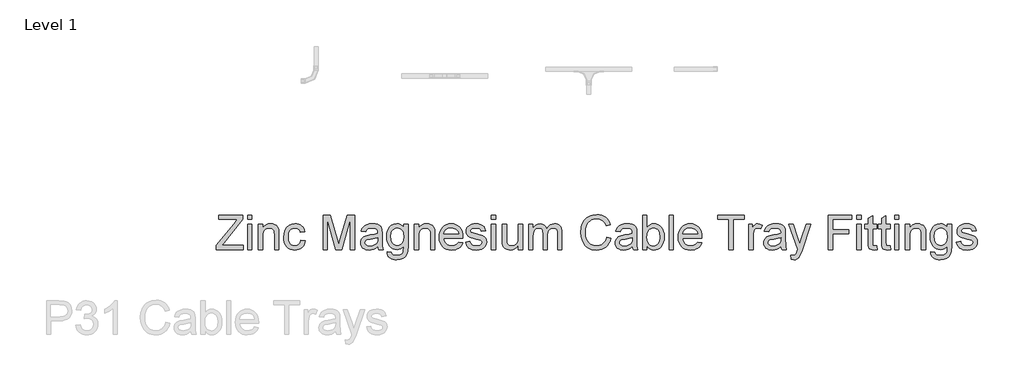
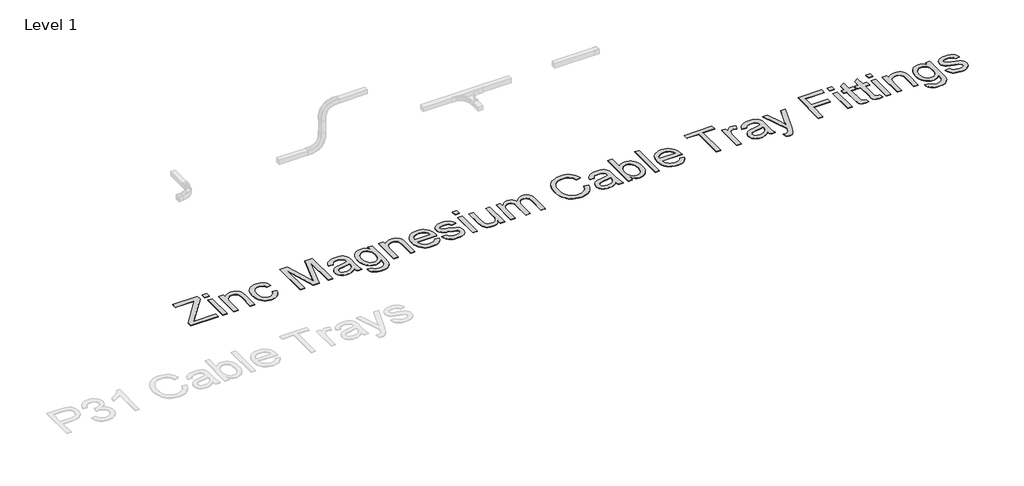
# One storey, part 15 of 15: 1 proxy.
"""IFC4 building model written with IfcOpenShell, lengths in millimetres."""

from ifc_helpers import new_model, si_unit, origin, origin_with_axes, place, context, project, spatial, polyline, outline, extrude, element, save

model = new_model("IFC4")

# Units and contexts
model_context = context("Model", 3, world=origin())
ifc_project = project(units=[si_unit("LENGTHUNIT", "METRE", prefix="MILLI")], contexts=[model_context])

# Site, building, storey
site = spatial("IfcSite", under=ifc_project)
building = spatial("IfcBuilding", under=site)
storey = spatial("IfcBuildingStorey", under=building, Name="Level 1", Elevation=0.0)

# Proxy
placement = place(None, origin())
element("IfcBuildingElementProxy", 1, Name="400mm", ObjectType="400mm", at=placement, inside=storey, context=model_context, shape_type="SweptSolid", body=[
    extrude(outline(polyline([(-1057.4820751, -39637.8239608), (-1057.4820751, -39585.7318703), (-851.9586671, -39334.1005856), (-812.9141247, -39286.2268753), (-1032.3679975, -39286.2268753), (-1032.3679975, -39235.9987202), (-749.8346252, -39235.9987202), (-749.8346252, -39286.2268753), (-974.7822026, -39561.5988114), (-995.9722055, -39587.5958057), (-743.5561059, -39587.5958057), (-743.5561059, -39637.8239608), (-1057.4820751, -39637.8239608)])), origin_with_axes(), (0.0, 0.0, 1.0), 5.0),
    extrude(outline(polyline([(-693.3279508, -39637.8239608), (-693.3279508, -39342.7335497), (-643.0997957, -39342.7335497), (-643.0997957, -39637.8239608), (-693.3279508, -39637.8239608)])), origin_with_axes(), (0.0, 0.0, 1.0), 5.0),
    extrude(outline(polyline([(-693.3279508, -39286.2268753), (-693.3279508, -39235.9987202), (-643.0997957, -39235.9987202), (-643.0997957, -39286.2268753), (-693.3279508, -39286.2268753)])), origin_with_axes(), (0.0, 0.0, 1.0), 5.0),
    extrude(outline(polyline([(-567.7575631, -39637.8239608), (-567.7575631, -39342.7335497), (-517.529408, -39342.7335497), (-517.529408, -39383.9363332), (-500.0795387, -39363.1632632), (-479.1225277, -39348.3253561), (-454.6583751, -39339.4226118), (-426.6870807, -39336.4550304), (-401.9286224, -39338.8462633), (-379.2548288, -39346.0199622), (-360.3456942, -39357.0809476), (-346.8812132, -39371.1340398), (-337.745477, -39388.1424507), (-331.8225769, -39408.0693921), (-329.1738265, -39456.6298154), (-329.1738265, -39637.8239608), (-379.4019816, -39637.8239608), (-379.4019816, -39463.3988442), (-380.8489841, -39437.4263753), (-385.1899916, -39418.9586991), (-393.1975564, -39405.72721), (-405.6442306, -39395.4633024), (-421.5980464, -39388.8782147), (-440.1270362, -39386.6831854), (-469.5453331, -39391.6128042), (-494.6226225, -39406.4016604), (-504.6443411, -39418.4743212), (-511.8027116, -39434.9738287), (-516.0977339, -39455.9001828), (-517.529408, -39481.2533837), (-517.529408, -39637.8239608), (-567.7575631, -39637.8239608)])), origin_with_axes(), (0.0, 0.0, 1.0), 5.0),
    extrude(outline(polyline([(-71.7545317, -39531.0891313), (-21.5263767, -39537.3676507), (-26.9894243, -39561.0684482), (-35.5304179, -39582.0407876), (-47.1493576, -39600.2846689), (-61.8462433, -39615.800092), (-79.001807, -39628.1823868), (-97.9967807, -39637.0268831), (-118.8311644, -39642.3335809), (-141.504958, -39644.1024802), (-169.6755218, -39641.6346051), (-194.9336865, -39634.23098), (-217.279452, -39621.8916047), (-236.7128184, -39604.6164794), (-252.4428394, -39582.7305663), (-263.6785686, -39556.5588281), (-270.4200062, -39526.1012646), (-272.667152, -39491.3578758), (-268.8289166, -39446.6602134), (-257.3142101, -39407.9222393), (-237.9390917, -39376.640007), (-210.5196203, -39354.3095699), (-177.7168091, -39340.9186652), (-142.1916711, -39336.4550304), (-119.9072192, -39337.987872), (-99.7503516, -39342.5863969), (-81.7210681, -39350.2506052), (-65.8193689, -39360.9804967), (-52.315034, -39374.5308169), (-41.4778435, -39390.656311), (-33.3077976, -39409.3569791), (-27.804896, -39430.6328211), (-78.0330511, -39436.9113405), (-87.1442619, -39414.9978363), (-101.3322442, -39399.2892751), (-119.812183, -39389.8347079), (-141.7992636, -39386.6831854), (-158.8659225, -39388.2344212), (-174.2587183, -39392.8881284), (-187.9776511, -39400.6443071), (-200.0227207, -39411.5029574), (-209.8298416, -39425.7154651), (-216.8349279, -39443.5332164), (-221.0379797, -39464.9562113), (-222.438997, -39489.9844497), (-216.9575552, -39537.0610823), (-210.1057531, -39554.9983953), (-200.5132301, -39569.201706), (-188.7072837, -39579.9959768), (-175.2152115, -39587.7061703), (-160.0370135, -39592.3322864), (-143.1726897, -39593.8743251), (-117.1634327, -39590.0238269), (-95.8385397, -39578.4723323), (-80.3261822, -39558.9255356), (-71.7545317, -39531.0891313)])), origin_with_axes(), (0.0, 0.0, 1.0), 5.0),
    extrude(outline(polyline([(185.664763, -39637.8239608), (185.664763, -39235.9987202), (272.0925064, -39235.9987202), (354.3018696, -39519.2188056), (370.8810849, -39578.3742304), (388.8337262, -39514.3137123), (469.6696633, -39235.9987202), (556.0974067, -39235.9987202), (556.0974067, -39637.8239608), (505.8692516, -39637.8239608), (505.8692516, -39286.2268753), (404.9224321, -39637.8239608), (336.8397376, -39637.8239608), (235.8929181, -39286.2268753), (235.8929181, -39637.8239608), (185.664763, -39637.8239608)])), origin_with_axes(), (0.0, 0.0, 1.0), 5.0),
    extrude(outline(polyline([(826.0737402, -39600.1528445), (802.0755714, -39620.7297108), (777.3661641, -39634.1941918), (751.3814325, -39641.6254081), (723.5572909, -39644.1024802), (701.1931313, -39642.6125581), (681.5819553, -39638.1427919), (664.7237628, -39630.6931815), (650.618554, -39620.2637269), (639.4809266, -39607.5166158), (631.5254784, -39593.1140357), (626.7522096, -39577.0559866), (625.1611199, -39559.3424685), (627.5646156, -39538.5203476), (634.7751027, -39519.611213), (645.8974017, -39503.4244052), (660.0363331, -39490.7692646), (676.6523365, -39481.2043327), (695.2058518, -39474.2881512), (738.6649782, -39466.7343076), (790.0213047, -39458.7880565), (825.7794346, -39449.4683793), (826.0737402, -39438.2847666), (822.6156495, -39415.8684904), (812.2413772, -39401.2022615), (789.040286, -39390.3129545), (756.7157214, -39386.6831854), (726.7946525, -39389.0989439), (705.8989551, -39396.3462192), (691.6496592, -39409.7493865), (681.6677944, -39430.6328211), (631.4396393, -39424.3543017), (640.1584426, -39396.8857794), (653.1692025, -39375.303369), (671.6859296, -39358.7977302), (696.9226345, -39346.5595225), (727.7879338, -39338.9811534), (763.1904445, -39336.4550304), (797.1459527, -39338.6868478), (824.062652, -39345.3823001), (844.3574754, -39355.450004), (858.4473558, -39367.7985763), (867.7915585, -39383.0656791), (873.8493487, -39401.8889746), (876.3018953, -39445.8386103), (876.3018953, -39508.3294985), (878.8525438, -39595.5911078), (888.8589341, -39637.8239608), (838.630779, -39637.8239608), (830.586426, -39620.3618288), (826.0737402, -39600.1528445)]), holes=[polyline([(826.0737402, -39499.6965344), (792.3266985, -39508.0597184), (745.0415994, -39515.0985272), (701.8277277, -39523.240982), (690.5828014, -39528.8082629), (682.2564056, -39536.4847339), (677.1060576, -39545.6817837), (675.389275, -39555.8108013), (679.1294086, -39570.7468104), (690.3498095, -39582.9850181), (708.8052229, -39591.1519984), (734.2503942, -39593.8743251), (761.2284072, -39590.8699555), (785.0671605, -39581.8568466), (804.393228, -39568.5763066), (817.8331835, -39552.7696435), (823.7928719, -39536.4847339), (825.7794346, -39513.9213048), (826.0737402, -39499.6965344)])]), origin_with_axes(), (0.0, 0.0, 1.0), 5.0),
    extrude(outline(polyline([(932.8085698, -39662.9380383), (983.0367248, -39669.2165577), (988.5794802, -39684.9128562), (999.3216345, -39695.7040614), (1020.438061, -39704.0917709), (1048.0782616, -39706.887674), (1077.5578721, -39703.7238889), (1099.483639, -39694.2325334), (1114.6894282, -39679.0267443), (1124.0091054, -39658.7196581), (1127.4426707, -39600.1528445), (1110.7285654, -39616.6339579), (1092.0769482, -39628.4061817), (1071.4878192, -39635.469516), (1048.9611784, -39637.8239608), (1021.4221453, -39635.0832399), (997.1756562, -39626.8610773), (976.2217109, -39613.157473), (958.5603094, -39593.972427), (944.5470711, -39570.9552768), (934.5376151, -39545.7553601), (928.5319416, -39518.372677), (926.5300504, -39488.8072273), (930.1230312, -39448.2543687), (940.9019737, -39410.9633971), (958.486733, -39379.3623337), (982.4971646, -39355.8791997), (1012.1116652, -39341.3110727), (1046.5086317, -39336.4550304), (1069.9978971, -39339.2018826), (1091.3166587, -39347.4424393), (1110.4649166, -39361.1767004), (1127.4426707, -39380.404666), (1127.4426707, -39342.7335497), (1177.6708257, -39342.7335497), (1177.6708257, -39597.5040941), (1174.2372605, -39656.3284252), (1163.9365646, -39695.0663993), (1146.1923897, -39720.7568253), (1120.4283873, -39740.438512), (1087.2086431, -39752.9464998), (1047.0972429, -39757.1158291), (1022.4890031, -39755.6473668), (1000.3639668, -39751.2419799), (980.7221339, -39743.8996684), (963.5635046, -39733.6204324), (949.7035504, -39720.3920089), (939.9577432, -39704.2021355), (934.326083, -39685.0508119), (932.8085698, -39662.9380383)]), holes=[polyline([(976.7582054, -39485.373662), (982.1170198, -39531.4447505), (988.8155378, -39549.0816265), (998.193463, -39563.1193903), (1009.5947392, -39573.8278221), (1022.3633101, -39581.4767019), (1036.4991758, -39586.0660298), (1052.0023362, -39587.5958057), (1067.3522124, -39586.0752268), (1081.4206331, -39581.5134901), (1094.2075981, -39573.9105955), (1105.7131075, -39563.2665431), (1115.2197914, -39549.3667351), (1122.0102799, -39531.9965735), (1127.4426707, -39486.84519), (1121.8508643, -39443.3002245), (1114.8611064, -39426.0986755), (1105.0754454, -39411.9444158), (1093.3216156, -39400.8926275), (1080.4273517, -39392.998493), (1066.3926536, -39388.2620123), (1051.2175213, -39386.6831854), (1036.2968407, -39388.2374869), (1022.5349884, -39392.9003912), (998.4877686, -39411.5520083), (988.9810847, -39425.4916702), (982.1905962, -39442.4418332), (976.7582054, -39485.373662)])]), origin_with_axes(), (0.0, 0.0, 1.0), 5.0),
    extrude(outline(polyline([(1253.0130584, -39637.8239608), (1253.0130584, -39342.7335497), (1303.2412134, -39342.7335497), (1303.2412134, -39383.9363332), (1320.6910827, -39363.1632632), (1341.6480937, -39348.3253561), (1366.1122464, -39339.4226118), (1394.0835408, -39336.4550304), (1418.8419991, -39338.8462633), (1441.5157927, -39346.0199622), (1460.4249272, -39357.0809476), (1473.8894083, -39371.1340398), (1483.0251445, -39388.1424507), (1488.9480446, -39408.0693921), (1491.596795, -39456.6298154), (1491.596795, -39637.8239608), (1441.3686399, -39637.8239608), (1441.3686399, -39463.3988442), (1439.9216374, -39437.4263753), (1435.5806298, -39418.9586991), (1427.5730651, -39405.72721), (1415.1263909, -39395.4633024), (1399.172575, -39388.8782147), (1380.6435852, -39386.6831854), (1351.2252883, -39391.6128042), (1326.147999, -39406.4016604), (1316.1262803, -39418.4743212), (1308.9679098, -39434.9738287), (1304.6728875, -39455.9001828), (1303.2412134, -39481.2533837), (1303.2412134, -39637.8239608), (1253.0130584, -39637.8239608)])), origin_with_axes(), (0.0, 0.0, 1.0), 5.0),
    extrude(outline(polyline([(1767.2630367, -39549.9246894), (1816.5101731, -39556.2032088), (1808.9593952, -39575.9278151), (1798.7659982, -39593.3102394), (1785.9299823, -39608.3504816), (1770.4513473, -39621.0485418), (1752.4895089, -39631.1346399), (1732.2038825, -39638.3389956), (1684.661266, -39644.1024802), (1653.4955297, -39641.616211), (1625.7265704, -39634.1574036), (1601.3543882, -39621.7260578), (1580.3789831, -39604.3221738), (1563.5115937, -39582.4301294), (1551.4634583, -39556.5343026), (1544.2345771, -39526.6346934), (1541.82495, -39492.7313019), (1544.2591026, -39457.6782791), (1551.5615602, -39426.7823229), (1563.7323229, -39400.0434332), (1580.7713906, -39377.4616101), (1601.6916134, -39359.5212315), (1625.5058412, -39346.7066753), (1652.2140741, -39339.0179416), (1681.8163119, -39336.4550304), (1710.4651223, -39339.0118102), (1736.3732118, -39346.6821498), (1759.5405805, -39359.4660492), (1779.9672283, -39377.3635082), (1796.6414797, -39399.8962804), (1808.5516593, -39426.5861192), (1815.697767, -39457.4330245), (1818.079803, -39492.4369963), (1817.7854974, -39505.9750537), (1592.0531051, -39505.9750537), (1594.9624386, -39526.0184911), (1600.7473829, -39543.5725936), (1609.4079382, -39558.6373613), (1620.9441045, -39571.2127942), (1634.7182195, -39581.127214), (1650.0926212, -39588.2089424), (1685.6422847, -39593.8743251), (1712.375043, -39591.2501002), (1734.8894211, -39583.3774255), (1753.185419, -39569.7657917), (1767.2630367, -39549.9246894)]), holes=[polyline([(1592.0531051, -39455.7468987), (1767.8516479, -39455.7468987), (1761.0580937, -39429.2103441), (1747.7407655, -39410.2276331), (1734.0432925, -39399.9269373), (1718.4573587, -39392.5692974), (1700.9829639, -39388.1547134), (1681.6201082, -39386.6831854), (1647.7627019, -39391.3798122), (1619.7668821, -39405.4696927), (1600.3059245, -39427.4322478), (1592.0531051, -39455.7468987)])]), origin_with_axes(), (0.0, 0.0, 1.0), 5.0),
    extrude(outline(polyline([(1849.4723999, -39549.9246894), (1899.7005549, -39543.64617), (1907.6222806, -39565.1304786), (1922.950697, -39580.9248789), (1945.7839062, -39590.6369636), (1976.2200099, -39593.8743251), (2006.2882317, -39590.9067437), (2027.4291837, -39582.0039994), (2039.9371715, -39569.1036041), (2044.1065008, -39554.1430696), (2039.912646, -39541.3407762), (2027.3310818, -39531.5796406), (1975.6313988, -39517.2567683), (1899.9948605, -39492.682251), (1880.8527341, -39480.3336787), (1866.9835828, -39463.9874554), (1858.5590852, -39444.6859133), (1855.7509193, -39423.4713849), (1858.0072622, -39404.0104274), (1864.7762909, -39386.0455233), (1875.4448687, -39370.2879112), (1889.3998591, -39357.4488295), (1921.3320163, -39342.5863969), (1942.2154509, -39337.987872), (1964.545888, -39336.4550304), (1997.2383346, -39338.9198397), (2025.6633501, -39346.3142678), (2048.5210847, -39357.9148134), (2064.5116888, -39372.9979752), (2075.1066902, -39392.679662), (2081.7776171, -39418.0757824), (2031.549462, -39424.3543017), (2025.209629, -39408.5476387), (2012.6648529, -39396.6405248), (1993.7925066, -39389.1725203), (1968.4699626, -39386.6831854), (1939.6280142, -39389.0621557), (1920.4000485, -39396.1990664), (1909.5843179, -39406.4997622), (1905.9790743, -39418.3700879), (1911.9632881, -39432.9872659), (1930.7007444, -39444.0727767), (1973.963667, -39454.76588), (2047.6872189, -39478.4084296), (2067.1604392, -39489.7146695), (2081.9247699, -39505.1902388), (2091.2321844, -39524.8841883), (2094.3346559, -39548.8455689), (2090.6926241, -39573.6162899), (2079.7665289, -39596.9154829), (2061.973303, -39616.9160007), (2037.7298795, -39631.7906961), (2008.4464727, -39641.0245342), (1975.5332969, -39644.1024802), (1948.5001016, -39642.6186895), (1924.8882089, -39638.1673173), (1904.6976187, -39630.7483638), (1887.9283311, -39620.3618288), (1874.2308581, -39607.0567633), (1863.255712, -39590.8822182), (1855.0028925, -39571.8381936), (1849.4723999, -39549.9246894)])), origin_with_axes(), (0.0, 0.0, 1.0), 5.0),
    extrude(outline(polyline([(2150.8413303, -39286.2268753), (2150.8413303, -39235.9987202), (2201.0694854, -39235.9987202), (2201.0694854, -39286.2268753), (2150.8413303, -39286.2268753)])), origin_with_axes(), (0.0, 0.0, 1.0), 5.0),
    extrude(outline(polyline([(2150.8413303, -39637.8239608), (2150.8413303, -39342.7335497), (2201.0694854, -39342.7335497), (2201.0694854, -39637.8239608), (2150.8413303, -39637.8239608)])), origin_with_axes(), (0.0, 0.0, 1.0), 5.0),
    extrude(outline(polyline([(2464.7672995, -39637.8239608), (2464.7672995, -39587.1052964), (2446.593929, -39612.0415643), (2425.4284515, -39629.8531842), (2401.2708672, -39640.5401562), (2374.1211759, -39644.1024802), (2349.6570232, -39641.6008826), (2326.8851277, -39634.0960899), (2307.7797895, -39622.8143754), (2294.3153084, -39608.9820124), (2285.2531486, -39592.1820679), (2279.354774, -39571.9976091), (2276.411718, -39525.3011212), (2276.411718, -39342.7335497), (2326.6398731, -39342.7335497), (2326.6398731, -39501.6585717), (2329.6810309, -39552.8677454), (2337.0018826, -39569.9497327), (2349.5466586, -39582.9359671), (2366.4814932, -39591.1397356), (2386.9725203, -39593.8743251), (2408.6407698, -39591.078422), (2428.9110677, -39582.6907125), (2445.6251731, -39569.4837488), (2456.6248447, -39552.2300833), (2462.7316858, -39528.5997964), (2464.7672995, -39496.2629691), (2464.7672995, -39342.7335497), (2514.9954546, -39342.7335497), (2514.9954546, -39637.8239608), (2464.7672995, -39637.8239608)])), origin_with_axes(), (0.0, 0.0, 1.0), 5.0),
    extrude(outline(polyline([(2584.0591678, -39637.8239608), (2584.0591678, -39342.7335497), (2634.2873229, -39342.7335497), (2634.2873229, -39391.2939731), (2649.3950102, -39368.9880615), (2668.8191795, -39351.5136667), (2691.8976434, -39340.2196894), (2717.9682141, -39336.4550304), (2745.9027203, -39340.2932658), (2768.294471, -39351.8079723), (2785.0208391, -39370.2388602), (2795.9591971, -39394.8256403), (2814.2674577, -39369.2884984), (2835.1508923, -39351.0476828), (2858.6095008, -39340.1031935), (2884.6432834, -39336.4550304), (2904.7511001, -39337.9725436), (2922.4002388, -39342.5250833), (2937.5906995, -39350.1126494), (2950.3224822, -39360.735242), (2960.3871205, -39374.5154884), (2967.5761478, -39391.576016), (2971.8895642, -39411.9168246), (2973.3273697, -39435.5379144), (2973.3273697, -39637.8239608), (2923.0992146, -39637.8239608), (2923.0992146, -39457.1203248), (2921.9342549, -39432.0675609), (2918.439376, -39415.1817773), (2911.8910765, -39403.6180199), (2901.5658551, -39394.5313347), (2888.2853151, -39388.6452227), (2872.8710595, -39386.6831854), (2845.6600546, -39391.710906), (2823.4767703, -39406.7940678), (2814.8713973, -39418.3639566), (2808.7247023, -39432.9627404), (2803.8073463, -39471.2469934), (2803.8073463, -39637.8239608), (2753.5791912, -39637.8239608), (2753.5791912, -39451.5285184), (2750.6729235, -39423.1280284), (2741.9541202, -39402.8699932), (2726.613441, -39390.7298874), (2703.8415455, -39386.6831854), (2684.4909525, -39389.3809867), (2666.6609385, -39397.4743906), (2651.9456587, -39410.7671934), (2641.9392684, -39429.0631913), (2636.2003093, -39454.4470489), (2634.2873229, -39489.003431), (2634.2873229, -39637.8239608), (2584.0591678, -39637.8239608)])), origin_with_axes(), (0.0, 0.0, 1.0), 5.0),
    extrude(outline(polyline([(3494.4444786, -39494.9876448), (3544.6726336, -39507.937091), (3534.7336884, -39539.1733381), (3521.496068, -39566.4671165), (3504.9597723, -39589.8184261), (3485.1248014, -39609.227267), (3462.438745, -39624.4851728), (3437.3491929, -39635.3836769), (3409.8561451, -39641.9227794), (3379.9596017, -39644.1024802), (3349.3303599, -39642.4531426), (3321.6993564, -39637.5051297), (3297.0665911, -39629.2584417), (3275.4320641, -39617.7130784), (3256.4984041, -39603.0407182), (3239.9682398, -39585.4130392), (3225.8415712, -39564.8300416), (3214.1183982, -39541.2917253), (3198.3362607, -39489.420364), (3193.0755481, -39433.8701827), (3199.0229737, -39375.2788436), (3206.4572557, -39348.9814123), (3216.8652505, -39324.6828065), (3230.0139661, -39302.7846307), (3245.6704107, -39283.6884895), (3263.8345842, -39267.3943828), (3284.5064867, -39253.9023106), (3306.9840766, -39243.3226376), (3330.5653125, -39235.7657283), (3381.0387222, -39229.7202008), (3409.7672403, -39231.6761068), (3436.1106569, -39237.5438246), (3460.0689718, -39247.3233543), (3481.6421851, -39261.0146959), (3500.4746776, -39278.2560987), (3516.21083, -39298.6858122), (3528.8506422, -39322.3038363), (3538.3941143, -39349.110171), (3488.1659592, -39361.0785986), (3470.7528781, -39324.4498146), (3446.9631757, -39299.3234743), (3416.5025465, -39284.7921355), (3379.0766849, -39279.9483559), (3335.9363896, -39285.319433), (3317.2541156, -39292.0332794), (3300.4970907, -39301.4326644), (3273.6049169, -39326.5957929), (3256.1059966, -39359.1165613), (3246.5042766, -39395.8802353), (3243.3037032, -39433.7720808), (3247.0928877, -39480.1742631), (3258.4604414, -39520.2979261), (3277.8355598, -39552.610228), (3305.6474386, -39575.5783272), (3338.9898101, -39589.3003256), (3374.9564065, -39593.8743251), (3396.7932686, -39592.316958), (3416.8826913, -39587.6448567), (3435.2246744, -39579.8580211), (3451.8192181, -39568.9564513), (3466.2739148, -39554.9891982), (3478.1963571, -39538.0053128), (3487.586545, -39518.004795), (3494.4444786, -39494.9876448)])), origin_with_axes(), (0.0, 0.0, 1.0), 5.0),
    extrude(outline(polyline([(3795.813409, -39600.1528445), (3771.8152402, -39620.7297108), (3747.1058329, -39634.1941918), (3721.1211013, -39641.6254081), (3693.2969597, -39644.1024802), (3670.9328001, -39642.6125581), (3651.321624, -39638.1427919), (3634.4634316, -39630.6931815), (3620.3582228, -39620.2637269), (3609.2205954, -39607.5166158), (3601.2651472, -39593.1140357), (3596.4918784, -39577.0559866), (3594.9007887, -39559.3424685), (3597.3042844, -39538.5203476), (3604.5147715, -39519.611213), (3615.6370705, -39503.4244052), (3629.7760019, -39490.7692646), (3646.3920053, -39481.2043327), (3664.9455206, -39474.2881512), (3708.404647, -39466.7343076), (3759.7609735, -39458.7880565), (3795.5191034, -39449.4683793), (3795.813409, -39438.2847666), (3792.3553183, -39415.8684904), (3781.981046, -39401.2022615), (3758.7799548, -39390.3129545), (3726.4553902, -39386.6831854), (3696.5343213, -39389.0989439), (3675.6386239, -39396.3462192), (3661.389328, -39409.7493865), (3651.4074632, -39430.6328211), (3601.1793081, -39424.3543017), (3609.8981114, -39396.8857794), (3622.9088713, -39375.303369), (3641.4255984, -39358.7977302), (3666.6623032, -39346.5595225), (3697.5276026, -39338.9811534), (3732.9301133, -39336.4550304), (3766.8856215, -39338.6868478), (3793.8023208, -39345.3823001), (3814.0971442, -39355.450004), (3828.1870246, -39367.7985763), (3837.5312273, -39383.0656791), (3843.5890175, -39401.8889746), (3846.0415641, -39445.8386103), (3846.0415641, -39508.3294985), (3848.5922126, -39595.5911078), (3858.5986029, -39637.8239608), (3808.3704478, -39637.8239608), (3800.3260948, -39620.3618288), (3795.813409, -39600.1528445)]), holes=[polyline([(3795.813409, -39499.6965344), (3762.0663673, -39508.0597184), (3714.7812682, -39515.0985272), (3671.5673965, -39523.240982), (3660.3224702, -39528.8082629), (3651.9960744, -39536.4847339), (3646.8457264, -39545.6817837), (3645.1289438, -39555.8108013), (3648.8690774, -39570.7468104), (3660.0894783, -39582.9850181), (3678.5448917, -39591.1519984), (3703.990063, -39593.8743251), (3730.968076, -39590.8699555), (3754.8068293, -39581.8568466), (3774.1328968, -39568.5763066), (3787.5728523, -39552.7696435), (3793.5325407, -39536.4847339), (3795.5191034, -39513.9213048), (3795.813409, -39499.6965344)])]), origin_with_axes(), (0.0, 0.0, 1.0), 5.0),
    extrude(outline(polyline([(3965.3334324, -39637.8239608), (3915.1052773, -39637.8239608), (3915.1052773, -39235.9987202), (3965.3334324, -39235.9987202), (3965.3334324, -39385.0154537), (3981.851334, -39363.7702685), (4000.5029511, -39348.5951362), (4021.2882839, -39339.4900568), (4044.2073322, -39336.4550304), (4070.0816992, -39339.1896199), (4094.5335891, -39347.3933883), (4116.1650504, -39360.551301), (4133.5781315, -39378.1483231), (4147.2265535, -39400.0127764), (4157.5640376, -39425.9729825), (4164.0755489, -39454.949821), (4166.2460527, -39485.8641713), (4163.9989068, -39521.5364621), (4157.2574693, -39552.9167963), (4146.02174, -39580.0051739), (4130.291719, -39602.8015949), (4111.4101756, -39620.8707322), (4090.7198791, -39633.7772589), (4068.2208294, -39641.5211749), (4043.9130266, -39644.1024802), (4020.2398202, -39640.7731481), (3999.2521524, -39630.785152), (3980.9500231, -39614.1384917), (3965.3334324, -39590.8331673), (3965.3334324, -39637.8239608)]), holes=[polyline([(3965.3334324, -39488.2186161), (3968.7669977, -39530.1081126), (3979.0676936, -39558.4595517), (3991.2384562, -39573.9535151), (4005.3835189, -39585.0206318), (4021.5028817, -39591.6609018), (4039.5965445, -39593.8743251), (4054.6183926, -39592.2433816), (4068.5856457, -39587.3505511), (4081.4983037, -39579.1958335), (4093.3563667, -39567.7792289), (4103.2707865, -39553.1313941), (4110.3525149, -39535.282986), (4114.6015519, -39514.2340045), (4116.0178976, -39489.9844497), (4110.5855068, -39444.0237257), (4103.7950183, -39426.2304999), (4094.2883344, -39411.8953648), (4082.8564014, -39400.8650363), (4070.2901656, -39392.9862303), (4056.589627, -39388.2589466), (4041.7547855, -39386.6831854), (4026.7329374, -39388.3141289), (4012.7656843, -39393.2069595), (3999.8530263, -39401.361677), (3987.9949633, -39412.7782816), (3978.0805435, -39427.2789636), (3970.9988151, -39444.6859133), (3966.7497781, -39464.9991308), (3965.3334324, -39488.2186161)])]), origin_with_axes(), (0.0, 0.0, 1.0), 5.0),
    extrude(outline(polyline([(4222.7527272, -39637.8239608), (4222.7527272, -39235.9987202), (4272.9808822, -39235.9987202), (4272.9808822, -39637.8239608), (4222.7527272, -39637.8239608)])), origin_with_axes(), (0.0, 0.0, 1.0), 5.0),
    extrude(outline(polyline([(4554.9256433, -39549.9246894), (4604.1727798, -39556.2032088), (4596.6220018, -39575.9278151), (4586.4286049, -39593.3102394), (4573.5925889, -39608.3504816), (4558.113954, -39621.0485418), (4540.1521155, -39631.1346399), (4519.8664892, -39638.3389956), (4472.3238727, -39644.1024802), (4441.1581363, -39641.616211), (4413.3891771, -39634.1574036), (4389.0169949, -39621.7260578), (4368.0415898, -39604.3221738), (4351.1742003, -39582.4301294), (4339.126065, -39556.5343026), (4331.8971838, -39526.6346934), (4329.4875567, -39492.7313019), (4331.9217092, -39457.6782791), (4339.2241668, -39426.7823229), (4351.3949295, -39400.0434332), (4368.4339972, -39377.4616101), (4389.35422, -39359.5212315), (4413.1684479, -39346.7066753), (4439.8766807, -39339.0179416), (4469.4789186, -39336.4550304), (4498.127729, -39339.0118102), (4524.0358185, -39346.6821498), (4547.2031871, -39359.4660492), (4567.6298349, -39377.3635082), (4584.3040863, -39399.8962804), (4596.2142659, -39426.5861192), (4603.3603737, -39457.4330245), (4605.7424096, -39492.4369963), (4605.448104, -39505.9750537), (4379.7157118, -39505.9750537), (4382.6250452, -39526.0184911), (4388.4099896, -39543.5725936), (4397.0705449, -39558.6373613), (4408.6067111, -39571.2127942), (4422.3808262, -39581.127214), (4437.7552279, -39588.2089424), (4473.3048913, -39593.8743251), (4500.0376497, -39591.2501002), (4522.5520278, -39583.3774255), (4540.8480257, -39569.7657917), (4554.9256433, -39549.9246894)]), holes=[polyline([(4379.7157118, -39455.7468987), (4555.5142545, -39455.7468987), (4548.7207004, -39429.2103441), (4535.4033721, -39410.2276331), (4521.7058992, -39399.9269373), (4506.1199653, -39392.5692974), (4488.6455705, -39388.1547134), (4469.2827149, -39386.6831854), (4435.4253086, -39391.3798122), (4407.4294887, -39405.4696927), (4387.9685312, -39427.4322478), (4379.7157118, -39455.7468987)])]), origin_with_axes(), (0.0, 0.0, 1.0), 5.0),
    extrude(outline(polyline([(4919.6683788, -39637.8239608), (4919.6683788, -39286.2268753), (4787.8194717, -39286.2268753), (4787.8194717, -39235.9987202), (5101.745441, -39235.9987202), (5101.745441, -39286.2268753), (4969.8965339, -39286.2268753), (4969.8965339, -39637.8239608), (4919.6683788, -39637.8239608)])), origin_with_axes(), (0.0, 0.0, 1.0), 5.0),
    extrude(outline(polyline([(5151.973596, -39637.8239608), (5151.973596, -39342.7335497), (5195.9232317, -39342.7335497), (5195.9232317, -39386.3888798), (5212.1590905, -39361.0785986), (5227.1196249, -39346.167115), (5242.1292103, -39338.8830515), (5258.5122218, -39336.4550304), (5283.5281975, -39340.330054), (5308.9365807, -39351.9551251), (5292.1611617, -39396.9838813), (5274.5028259, -39389.2583594), (5256.8444901, -39386.6831854), (5241.8471675, -39389.1602575), (5228.4440001, -39396.5914738), (5217.6160067, -39408.4127486), (5210.3442059, -39424.0599961), (5204.2373648, -39452.1171296), (5202.2017511, -39482.7249116), (5202.2017511, -39637.8239608), (5151.973596, -39637.8239608)])), origin_with_axes(), (0.0, 0.0, 1.0), 5.0),
    extrude(outline(polyline([(5528.6847591, -39600.1528445), (5504.6865903, -39620.7297108), (5479.9771829, -39634.1941918), (5453.9924513, -39641.6254081), (5426.1683098, -39644.1024802), (5403.8041502, -39642.6125581), (5384.1929741, -39638.1427919), (5367.3347817, -39630.6931815), (5353.2295729, -39620.2637269), (5342.0919455, -39607.5166158), (5334.1364973, -39593.1140357), (5329.3632284, -39577.0559866), (5327.7721388, -39559.3424685), (5330.1756345, -39538.5203476), (5337.3861216, -39519.611213), (5348.5084206, -39503.4244052), (5362.6473519, -39490.7692646), (5379.2633554, -39481.2043327), (5397.8168707, -39474.2881512), (5441.275997, -39466.7343076), (5492.6323236, -39458.7880565), (5528.3904535, -39449.4683793), (5528.6847591, -39438.2847666), (5525.2266683, -39415.8684904), (5514.8523961, -39401.2022615), (5491.6513049, -39390.3129545), (5459.3267403, -39386.6831854), (5429.4056713, -39389.0989439), (5408.509974, -39396.3462192), (5394.2606781, -39409.7493865), (5384.2788133, -39430.6328211), (5334.0506582, -39424.3543017), (5342.7694615, -39396.8857794), (5355.7802214, -39375.303369), (5374.2969485, -39358.7977302), (5399.5336533, -39346.5595225), (5430.3989527, -39338.9811534), (5465.8014634, -39336.4550304), (5499.7569715, -39338.6868478), (5526.6736709, -39345.3823001), (5546.9684943, -39355.450004), (5561.0583747, -39367.7985763), (5570.4025774, -39383.0656791), (5576.4603675, -39401.8889746), (5578.9129142, -39445.8386103), (5578.9129142, -39508.3294985), (5581.4635627, -39595.5911078), (5591.4699529, -39637.8239608), (5541.2417979, -39637.8239608), (5533.1974449, -39620.3618288), (5528.6847591, -39600.1528445)]), holes=[polyline([(5528.6847591, -39499.6965344), (5494.9377174, -39508.0597184), (5447.6526183, -39515.0985272), (5404.4387466, -39523.240982), (5393.1938203, -39528.8082629), (5384.8674245, -39536.4847339), (5379.7170765, -39545.6817837), (5378.0002939, -39555.8108013), (5381.7404275, -39570.7468104), (5392.9608283, -39582.9850181), (5411.4162418, -39591.1519984), (5436.8614131, -39593.8743251), (5463.8394261, -39590.8699555), (5487.6781794, -39581.8568466), (5507.0042469, -39568.5763066), (5520.4442024, -39552.7696435), (5526.4038907, -39536.4847339), (5528.3904535, -39513.9213048), (5528.6847591, -39499.6965344)])]), origin_with_axes(), (0.0, 0.0, 1.0), 5.0),
    extrude(outline(polyline([(5647.9766274, -39750.8373097), (5641.698108, -39702.4730901), (5667.204593, -39706.887674), (5680.6200231, -39705.5019852), (5691.0433463, -39701.3449186), (5705.6605242, -39685.8938748), (5719.3947854, -39648.9094716), (5723.31886, -39636.7448403), (5616.5840305, -39342.7335497), (5669.5590378, -39342.7335497), (5726.1638141, -39506.5636649), (5745.8822891, -39572.095711), (5765.600764, -39514.2156104), (5823.7751702, -39342.7335497), (5876.35777, -39342.7335497), (5773.645117, -39644.8872951), (5746.9614096, -39710.4193412), (5733.3007248, -39731.339564), (5717.8251556, -39745.8341146), (5699.8479887, -39754.2954005), (5678.6825113, -39757.1158291), (5647.9766274, -39750.8373097)])), origin_with_axes(), (0.0, 0.0, 1.0), 5.0),
    extrude(outline(polyline([(6081.1944649, -39637.8239608), (6081.1944649, -39235.9987202), (6351.1707985, -39235.9987202), (6351.1707985, -39286.2268753), (6131.42262, -39286.2268753), (6131.42262, -39405.5187436), (6319.7782015, -39405.5187436), (6319.7782015, -39455.7468987), (6131.42262, -39455.7468987), (6131.42262, -39637.8239608), (6081.1944649, -39637.8239608)])), origin_with_axes(), (0.0, 0.0, 1.0), 5.0),
    extrude(outline(polyline([(6413.9559923, -39637.8239608), (6413.9559923, -39342.7335497), (6464.1841474, -39342.7335497), (6464.1841474, -39637.8239608), (6413.9559923, -39637.8239608)])), origin_with_axes(), (0.0, 0.0, 1.0), 5.0),
    extrude(outline(polyline([(6413.9559923, -39286.2268753), (6413.9559923, -39235.9987202), (6464.1841474, -39235.9987202), (6464.1841474, -39286.2268753), (6413.9559923, -39286.2268753)])), origin_with_axes(), (0.0, 0.0, 1.0), 5.0),
    extrude(outline(polyline([(6646.2612095, -39595.9344643), (6652.5397289, -39639.2954888), (6614.9667145, -39644.1024802), (6590.858181, -39642.0178156), (6572.8810142, -39635.7638216), (6560.1768226, -39626.1253134), (6551.887215, -39613.8871057), (6547.3254783, -39592.868781), (6545.8048994, -39556.8899219), (6545.8048994, -39392.9617048), (6508.1337831, -39392.9617048), (6508.1337831, -39342.7335497), (6545.8048994, -39342.7335497), (6545.8048994, -39271.0210861), (6596.0330544, -39241.4924247), (6596.0330544, -39342.7335497), (6646.2612095, -39342.7335497), (6646.2612095, -39392.9617048), (6596.0330544, -39392.9617048), (6596.0330544, -39555.4183939), (6598.6818048, -39581.3172863), (6607.265718, -39590.4898108), (6624.3844935, -39593.8743251), (6646.2612095, -39595.9344643)])), origin_with_axes(), (0.0, 0.0, 1.0), 5.0),
    extrude(outline(polyline([(6803.2241941, -39595.9344643), (6809.5027135, -39639.2954888), (6771.9296991, -39644.1024802), (6747.8211657, -39642.0178156), (6729.8439988, -39635.7638216), (6717.1398073, -39626.1253134), (6708.8501996, -39613.8871057), (6704.2884629, -39592.868781), (6702.767884, -39556.8899219), (6702.767884, -39392.9617048), (6665.0967677, -39392.9617048), (6665.0967677, -39342.7335497), (6702.767884, -39342.7335497), (6702.767884, -39271.0210861), (6752.9960391, -39241.4924247), (6752.9960391, -39342.7335497), (6803.2241941, -39342.7335497), (6803.2241941, -39392.9617048), (6752.9960391, -39392.9617048), (6752.9960391, -39555.4183939), (6755.6447894, -39581.3172863), (6764.2287026, -39590.4898108), (6781.3474781, -39593.8743251), (6803.2241941, -39595.9344643)])), origin_with_axes(), (0.0, 0.0, 1.0), 5.0),
    extrude(outline(polyline([(6853.4523492, -39637.8239608), (6853.4523492, -39342.7335497), (6903.6805043, -39342.7335497), (6903.6805043, -39637.8239608), (6853.4523492, -39637.8239608)])), origin_with_axes(), (0.0, 0.0, 1.0), 5.0),
    extrude(outline(polyline([(6853.4523492, -39286.2268753), (6853.4523492, -39235.9987202), (6903.6805043, -39235.9987202), (6903.6805043, -39286.2268753), (6853.4523492, -39286.2268753)])), origin_with_axes(), (0.0, 0.0, 1.0), 5.0),
    extrude(outline(polyline([(6979.0227369, -39637.8239608), (6979.0227369, -39342.7335497), (7029.250892, -39342.7335497), (7029.250892, -39383.9363332), (7046.7007613, -39363.1632632), (7067.6577723, -39348.3253561), (7092.1219249, -39339.4226118), (7120.0932193, -39336.4550304), (7144.8516776, -39338.8462633), (7167.5254712, -39346.0199622), (7186.4346058, -39357.0809476), (7199.8990868, -39371.1340398), (7209.034823, -39388.1424507), (7214.9577231, -39408.0693921), (7217.6064735, -39456.6298154), (7217.6064735, -39637.8239608), (7167.3783184, -39637.8239608), (7167.3783184, -39463.3988442), (7165.9313159, -39437.4263753), (7161.5903084, -39418.9586991), (7153.5827436, -39405.72721), (7141.1360694, -39395.4633024), (7125.1822536, -39388.8782147), (7106.6532637, -39386.6831854), (7077.2349669, -39391.6128042), (7052.1576775, -39406.4016604), (7042.1359588, -39418.4743212), (7034.9775884, -39434.9738287), (7030.6825661, -39455.9001828), (7029.250892, -39481.2533837), (7029.250892, -39637.8239608), (6979.0227369, -39637.8239608)])), origin_with_axes(), (0.0, 0.0, 1.0), 5.0),
    extrude(outline(polyline([(7274.113148, -39662.9380383), (7324.341303, -39669.2165577), (7329.8840584, -39684.9128562), (7340.6262127, -39695.7040614), (7361.7426392, -39704.0917709), (7389.3828398, -39706.887674), (7418.8624503, -39703.7238889), (7440.7882172, -39694.2325334), (7455.9940064, -39679.0267443), (7465.3136836, -39658.7196581), (7468.7472489, -39600.1528445), (7452.0331436, -39616.6339579), (7433.3815264, -39628.4061817), (7412.7923974, -39635.469516), (7390.2657566, -39637.8239608), (7362.7267235, -39635.0832399), (7338.4802344, -39626.8610773), (7317.5262891, -39613.157473), (7299.8648876, -39593.972427), (7285.8516493, -39570.9552768), (7275.8421933, -39545.7553601), (7269.8365198, -39518.372677), (7267.8346286, -39488.8072273), (7271.4276094, -39448.2543687), (7282.2065518, -39410.9633971), (7299.7913112, -39379.3623337), (7323.8017428, -39355.8791997), (7353.4162434, -39341.3110727), (7387.8132099, -39336.4550304), (7411.3024753, -39339.2018826), (7432.6212369, -39347.4424393), (7451.7694948, -39361.1767004), (7468.7472489, -39380.404666), (7468.7472489, -39342.7335497), (7518.9754039, -39342.7335497), (7518.9754039, -39597.5040941), (7515.5418387, -39656.3284252), (7505.2411428, -39695.0663993), (7487.4969679, -39720.7568253), (7461.7329655, -39740.438512), (7428.5132213, -39752.9464998), (7388.4018211, -39757.1158291), (7363.7935813, -39755.6473668), (7341.668545, -39751.2419799), (7322.0267121, -39743.8996684), (7304.8680827, -39733.6204324), (7291.0081286, -39720.3920089), (7281.2623214, -39704.2021355), (7275.6306612, -39685.0508119), (7274.113148, -39662.9380383)]), holes=[polyline([(7318.0627836, -39485.373662), (7323.421598, -39531.4447505), (7330.120116, -39549.0816265), (7339.4980412, -39563.1193903), (7350.8993174, -39573.8278221), (7363.6678883, -39581.4767019), (7377.803754, -39586.0660298), (7393.3069144, -39587.5958057), (7408.6567906, -39586.0752268), (7422.7252113, -39581.5134901), (7435.5121763, -39573.9105955), (7447.0176857, -39563.2665431), (7456.5243696, -39549.3667351), (7463.3148581, -39531.9965735), (7468.7472489, -39486.84519), (7463.1554425, -39443.3002245), (7456.1656846, -39426.0986755), (7446.3800236, -39411.9444158), (7434.6261938, -39400.8926275), (7421.7319299, -39392.998493), (7407.6972318, -39388.2620123), (7392.5220995, -39386.6831854), (7377.6014189, -39388.2374869), (7363.8395666, -39392.9003912), (7339.7923468, -39411.5520083), (7330.2856629, -39425.4916702), (7323.4951744, -39442.4418332), (7318.0627836, -39485.373662)])]), origin_with_axes(), (0.0, 0.0, 1.0), 5.0),
    extrude(outline(polyline([(7575.4820784, -39549.9246894), (7625.7102335, -39543.64617), (7633.6319591, -39565.1304786), (7648.9603756, -39580.9248789), (7671.7935847, -39590.6369636), (7702.2296885, -39593.8743251), (7732.2979102, -39590.9067437), (7753.4388622, -39582.0039994), (7765.94685, -39569.1036041), (7770.1161793, -39554.1430696), (7765.9223246, -39541.3407762), (7753.3407603, -39531.5796406), (7701.6410773, -39517.2567683), (7626.0045391, -39492.682251), (7606.8624126, -39480.3336787), (7592.9932614, -39463.9874554), (7584.5687637, -39444.6859133), (7581.7605978, -39423.4713849), (7584.0169407, -39404.0104274), (7590.7859694, -39386.0455233), (7601.4545473, -39370.2879112), (7615.4095376, -39357.4488295), (7647.3416948, -39342.5863969), (7668.2251294, -39337.987872), (7690.5555665, -39336.4550304), (7723.2480131, -39338.9198397), (7751.6730286, -39346.3142678), (7774.5307633, -39357.9148134), (7790.5213673, -39372.9979752), (7801.1163688, -39392.679662), (7807.7872956, -39418.0757824), (7757.5591405, -39424.3543017), (7751.2193075, -39408.5476387), (7738.6745315, -39396.6405248), (7719.8021851, -39389.1725203), (7694.4796411, -39386.6831854), (7665.6376927, -39389.0621557), (7646.4097271, -39396.1990664), (7635.5939964, -39406.4997622), (7631.9887529, -39418.3700879), (7637.9729666, -39432.9872659), (7656.7104229, -39444.0727767), (7699.9733456, -39454.76588), (7773.6968974, -39478.4084296), (7793.1701177, -39489.7146695), (7807.9344484, -39505.1902388), (7817.2418629, -39524.8841883), (7820.3443344, -39548.8455689), (7816.7023026, -39573.6162899), (7805.7762074, -39596.9154829), (7787.9829815, -39616.9160007), (7763.7395581, -39631.7906961), (7734.4561512, -39641.0245342), (7701.5429754, -39644.1024802), (7674.5097801, -39642.6186895), (7650.8978874, -39638.1673173), (7630.7072972, -39630.7483638), (7613.9380096, -39620.3618288), (7600.2405367, -39607.0567633), (7589.2653905, -39590.8822182), (7581.0125711, -39571.8381936), (7575.4820784, -39549.9246894)])), origin_with_axes(), (0.0, 0.0, 1.0), 5.0),
])

save(model, "model.ifc")
